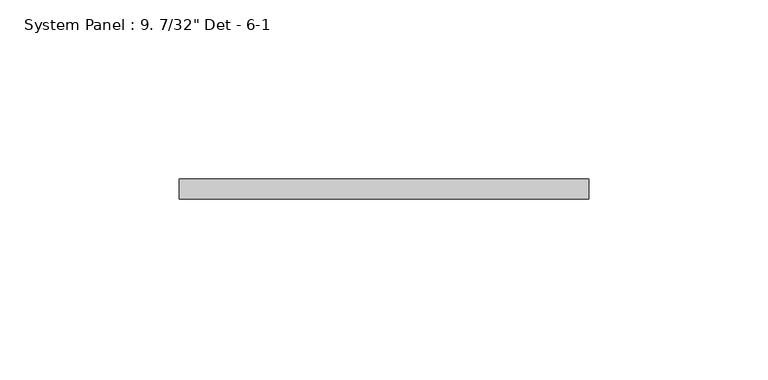
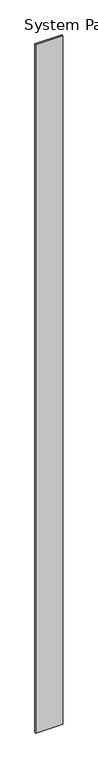
"""IFC4 building model written with IfcOpenShell, lengths in millimetres: plate geometry."""

from ifc_helpers import new_model, si_unit, origin, origin_with_axes, place, context, project, spatial, polyline, outline, extrude, source, transform, mapped, element, save


def plate_e81613c5(model_context):
    return source(origin(), model_context, "Body", "SweptSolid", [
        extrude(outline(polyline([(57.15, -13.49375), (-57.15, -13.49375), (-57.15, -7.9375), (57.15, -7.9375), (57.15, -13.49375)])), origin_with_axes(), (0.0, 0.0, 1.0), 3048.0),
    ])


if __name__ == "__main__":
    model = new_model("IFC4")
    model_context = context("Model", 3, world=origin())
    ifc_project = project(units=[si_unit("LENGTHUNIT", "METRE", prefix="MILLI")], contexts=[model_context])
    site = spatial("IfcSite", under=ifc_project)
    building = spatial("IfcBuilding", under=site)
    placement = place(None, origin())
    plate_shape = plate_e81613c5(model_context)
    element("IfcPlate", 1, ObjectType="System Panel : 9. 7/32\" Det - 6-1", at=placement, inside=building, context=model_context, shape_type="MappedRepresentation", body=[
        mapped(plate_shape, transform((0.0, 0.0, 0.0), x_axis=(1.0, 0.0, 0.0), y_axis=(0.0, 1.0, 0.0), z_axis=(0.0, 0.0, 1.0))),
    ])
    save(model, "model.ifc")
